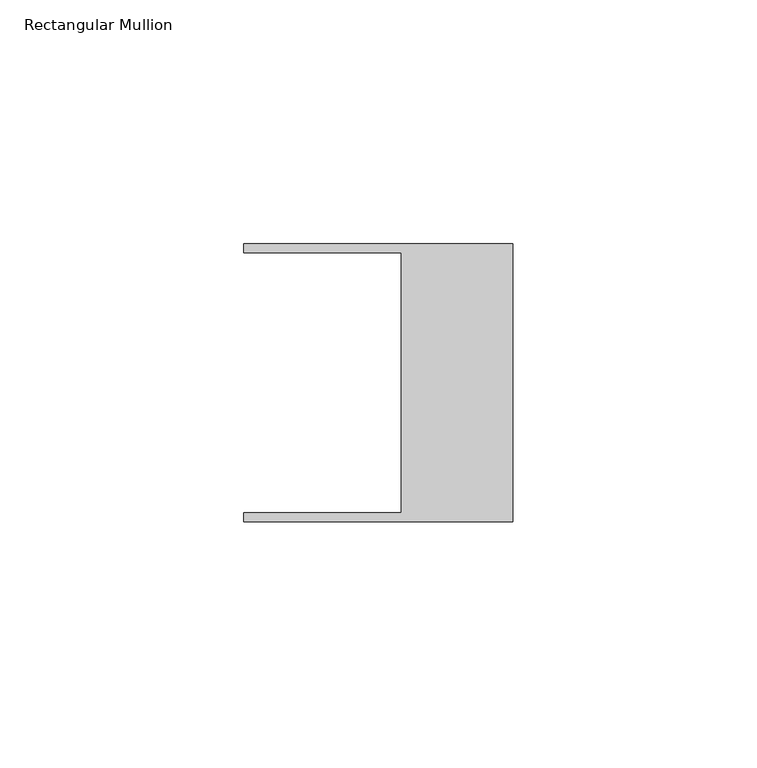
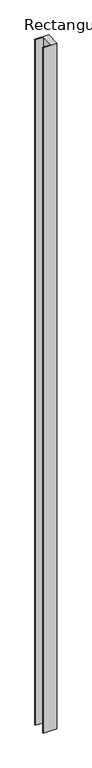
"""IFC4 building model written with IfcOpenShell, lengths in millimetres: member geometry, Rectangular Mullion."""

from ifc_helpers import new_model, si_unit, frame, origin, place, context, project, spatial, polyline, outline, extrude, source, transform, mapped, element, save


def rectangular_mullion_ddcf5836(model_context):
    return source(origin(), model_context, "Body", "SweptSolid", [
        extrude(outline(polyline([(-55.118, -26.67), (-22.86, -26.67), (-22.86, 26.67), (-55.118, 26.67), (-55.118, 28.448), (0.0, 28.448), (0.0, -28.448), (-55.118, -28.448), (-55.118, -26.67)])), frame((0.0, 0.0, -2895.6), z_axis=(0.0, 0.0, 1.0), x_axis=(1.0, 0.0, 0.0)), (0.0, 0.0, 1.0), 2895.6),
    ])


if __name__ == "__main__":
    model = new_model("IFC4")
    model_context = context("Model", 3, world=origin())
    ifc_project = project(units=[si_unit("LENGTHUNIT", "METRE", prefix="MILLI")], contexts=[model_context])
    site = spatial("IfcSite", under=ifc_project)
    building = spatial("IfcBuilding", under=site)
    placement = place(None, origin())
    rectangular_mullion_shape = rectangular_mullion_ddcf5836(model_context)
    element("IfcMember", 1, ObjectType="Rectangular Mullion", at=placement, inside=building, context=model_context, shape_type="MappedRepresentation", body=[
        mapped(rectangular_mullion_shape, transform((0.0, 0.0, 0.0), x_axis=(1.0, 0.0, 0.0), y_axis=(0.0, 1.0, 0.0), z_axis=(0.0, 0.0, 1.0))),
    ])
    save(model, "model.ifc")
